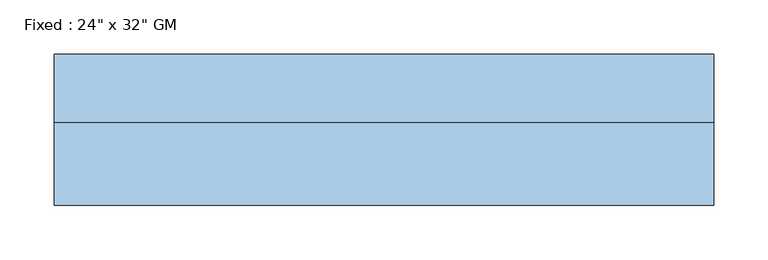
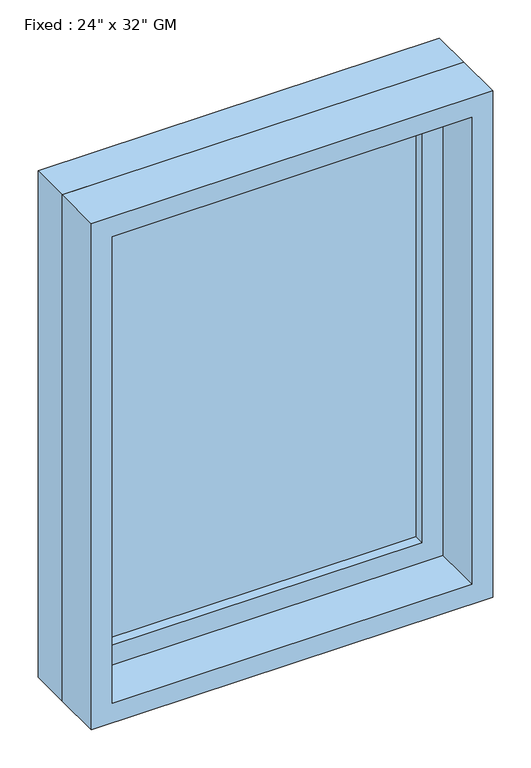
"""IFC4 building model written with IfcOpenShell, lengths in millimetres: window geometry."""

from ifc_helpers import new_model, si_unit, frame, origin, place, context, project, spatial, polyline, outline, extrude, source, transform, mapped, element, save


def window_6cc17b92(model_context):
    return source(origin(), model_context, "Body", "SweptSolid", [
        extrude(outline(polyline([(203.2, 22.225), (-279.4, 22.225), (-279.4, 34.925), (203.2, 34.925), (203.2, 22.225)])), frame((0.0, 0.0, 977.9), z_axis=(0.0, 0.0, 1.0), x_axis=(1.0, 0.0, 0.0)), (0.0, 0.0, 1.0), 685.8),
        extrude(outline(polyline([(1708.15, -323.85), (933.45, -323.85), (933.45, 247.65), (1708.15, 247.65), (1708.15, -323.85)]), holes=[polyline([(1663.7, -279.4), (1663.7, 203.2), (977.9, 203.2), (977.9, -279.4), (1663.7, -279.4)])]), frame((0.0, 6.35, 0.0), z_axis=(0.0, 1.0, 0.0), x_axis=(0.0, 0.0, 1.0)), (0.0, 0.0, 1.0), 44.45),
        extrude(outline(polyline([(1727.2, -342.9), (914.4, -342.9), (914.4, 266.7), (1727.2, 266.7), (1727.2, -342.9)]), holes=[polyline([(1695.45, -311.15), (1695.45, 234.95), (946.15, 234.95), (946.15, -311.15), (1695.45, -311.15)])]), frame((0.0, -69.85, 0.0), z_axis=(0.0, 1.0, 0.0), x_axis=(0.0, 0.0, 1.0)), (0.0, 0.0, 1.0), 76.2),
        extrude(outline(polyline([(1727.2, 266.7), (1727.2, -342.9), (914.4, -342.9), (914.4, 266.7), (1727.2, 266.7)]), holes=[polyline([(1708.15, 247.65), (933.45, 247.65), (933.45, -323.85), (1708.15, -323.85), (1708.15, 247.65)])]), frame((0.0, 6.35, 0.0), z_axis=(0.0, 1.0, 0.0), x_axis=(0.0, 0.0, 1.0)), (0.0, 0.0, 1.0), 63.5),
    ])


if __name__ == "__main__":
    model = new_model("IFC4")
    model_context = context("Model", 3, world=origin())
    ifc_project = project(units=[si_unit("LENGTHUNIT", "METRE", prefix="MILLI")], contexts=[model_context])
    site = spatial("IfcSite", under=ifc_project)
    building = spatial("IfcBuilding", under=site)
    placement = place(None, origin())
    window_shape = window_6cc17b92(model_context)
    element("IfcWindow", 1, ObjectType="Fixed : 24\" x 32\" GM", at=placement, inside=building, context=model_context, shape_type="MappedRepresentation", body=[
        mapped(window_shape, transform((0.0, 0.0, 0.0), x_axis=(1.0, 0.0, 0.0), y_axis=(0.0, 1.0, 0.0), z_axis=(0.0, 0.0, 1.0))),
    ])
    save(model, "model.ifc")
